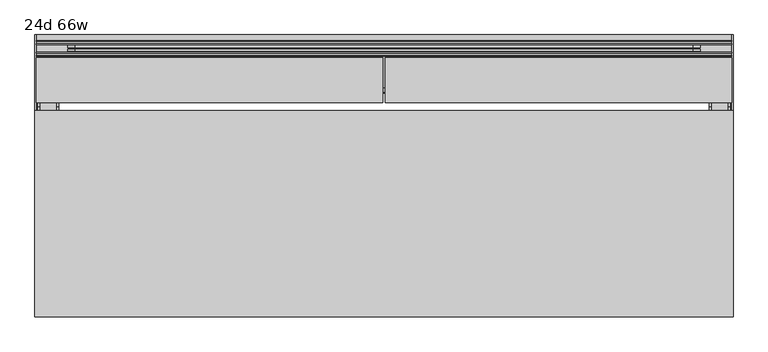
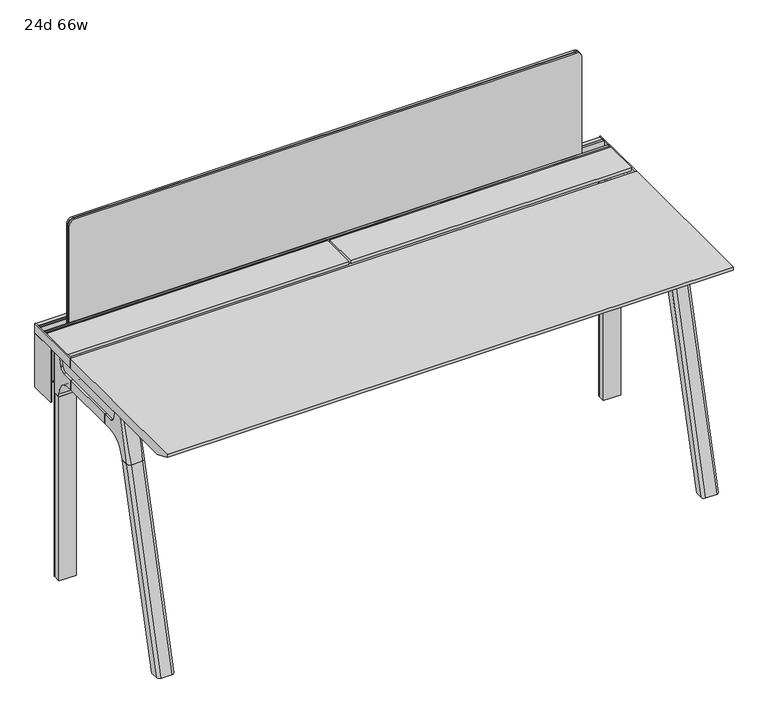
"""IFC4 building model written with IfcOpenShell, lengths in millimetres: furniture geometry, 24d 66w."""

import ifcopenshell
import ifcopenshell.guid

model = None  # the IFC model being written
_history = None  # IfcOwnerHistory: only IFC2X3 demands one
_inside = {}  # id of a spatial element -> (the spatial element, [elements in it])
_under = {}  # id of a project, library or spatial element -> (it, [spatial elements below it])
_declared = {}  # id of a project -> (the project, [libraries it declares])
_typed = {}  # id of a type object -> (the type object, [elements of that type])
_made_of = {}  # id of a material, layer set ... -> (it, [elements and type objects made of it])


def new_model(schema):
    """Start an empty IFC model of exactly this schema.

    Asked for "IFC4X3", IfcOpenShell would pick the latest addendum, in which some entities
    have other attributes; the version numbers below select the first issue.
    IFC2X3 requires an IfcOwnerHistory on every rooted entity: one is made here for all.
    """
    global model, _history
    if schema == "IFC4X3":
        model = ifcopenshell.file(schema_version=(4, 3, 0, 0))
    else:
        model = ifcopenshell.file(schema=schema)
    _inside.clear()
    _under.clear()
    _declared.clear()
    _typed.clear()
    _made_of.clear()
    _history = None
    if model.schema == "IFC2X3":
        org = make("IfcOrganization", Name="unknown")
        user = make(
            "IfcPersonAndOrganization",
            ThePerson=make("IfcPerson", FamilyName="unknown"),
            TheOrganization=org,
        )
        app = make(
            "IfcApplication",
            ApplicationDeveloper=org,
            Version="unknown",
            ApplicationFullName="unknown",
            ApplicationIdentifier="unknown",
        )
        _history = make(
            "IfcOwnerHistory",
            OwningUser=user,
            OwningApplication=app,
            ChangeAction="ADDED",
            CreationDate=0,
        )
    return model


def make(cls, **values):
    """One entity of the class cls with the attributes given. An attribute that is None is left unset."""
    return model.create_entity(
        cls, **{name: value for name, value in values.items() if value is not None}
    )


def rooted(cls, **values):
    """An entity with a GlobalId (a new one), such as an element, a storey or a relation."""
    return make(cls, GlobalId=ifcopenshell.guid.new(), OwnerHistory=_history, **values)


def si_unit(unit_type, name, prefix=None):
    """IfcSIUnit, for example si_unit("LENGTHUNIT", "METRE", prefix="MILLI")."""
    return make("IfcSIUnit", UnitType=unit_type, Prefix=prefix, Name=name)


def assignment(units):
    """IfcUnitAssignment: the units of a project."""
    return None if units is None else make("IfcUnitAssignment", Units=units)


def point(xyz):
    """IfcCartesianPoint."""
    return None if xyz is None else make("IfcCartesianPoint", Coordinates=xyz)


def direction(xyz):
    """IfcDirection."""
    return None if xyz is None else make("IfcDirection", DirectionRatios=xyz)


def frame(location, z_axis=None, x_axis=None):
    """IfcAxis2Placement3D, a coordinate frame: its origin and axes. An axis left out is left unset."""
    return make(
        "IfcAxis2Placement3D",
        Location=point(location),
        Axis=direction(z_axis),
        RefDirection=direction(x_axis),
    )


def frame_2d(location, x_axis=None):
    """IfcAxis2Placement2D, a coordinate frame in the plane: its origin and x axis."""
    return make(
        "IfcAxis2Placement2D", Location=point(location), RefDirection=direction(x_axis)
    )


def origin():
    """The frame at (0, 0, 0) with its axes left unset."""
    return frame((0.0, 0.0, 0.0))


def place(relative_to, where):
    """IfcLocalPlacement: puts the frame where relative to a parent placement (None: the world)."""
    return make(
        "IfcLocalPlacement", PlacementRelTo=relative_to, RelativePlacement=where
    )


def context(
    kind, dimensions, precision=None, world=None, true_north=None, identifier=None
):
    """IfcGeometricRepresentationContext, for example the 3D "Model" context."""
    return make(
        "IfcGeometricRepresentationContext",
        ContextIdentifier=identifier,
        ContextType=kind,
        CoordinateSpaceDimension=dimensions,
        Precision=precision,
        WorldCoordinateSystem=world,
        TrueNorth=true_north,
    )


def project(units=None, contexts=None):
    """IfcProject with its units and contexts."""
    return rooted(
        "IfcProject",
        Name="project",
        RepresentationContexts=contexts,
        UnitsInContext=assignment(units),
    )


def spatial(cls, under=None, at=None, **own):
    """A site, building, storey or space (cls), placed at a placement, below another one or the project."""
    s = rooted(cls, ObjectPlacement=at, **own)
    if under is not None:
        _under.setdefault(under.id(), (under, []))[1].append(s)
    return s


def polyline(points):
    """IfcPolyline through the points."""
    return make("IfcPolyline", Points=[point(p) for p in points])


def circle_curve(where, radius):
    """IfcCircle in the frame where."""
    return make("IfcCircle", Position=where, Radius=radius)


def ellipse_curve(where, semi_axis1, semi_axis2):
    """IfcEllipse in the frame where."""
    return make(
        "IfcEllipse", Position=where, SemiAxis1=semi_axis1, SemiAxis2=semi_axis2
    )


def trimmed(basis, trim1, trim2, sense, master):
    """IfcTrimmedCurve: the piece of a basis curve between two trims."""
    return make(
        "IfcTrimmedCurve",
        BasisCurve=basis,
        Trim1=trim1,
        Trim2=trim2,
        SenseAgreement=sense,
        MasterRepresentation=master,
    )


def segment(curve, same_sense, transition):
    """IfcCompositeCurveSegment."""
    return make(
        "IfcCompositeCurveSegment",
        Transition=transition,
        SameSense=same_sense,
        ParentCurve=curve,
    )


def composite_curve(segments, self_intersect=None):
    """IfcCompositeCurve: segments joined end to end."""
    return make("IfcCompositeCurve", Segments=segments, SelfIntersect=self_intersect)


def outline(outer, holes=None, kind="AREA"):
    """IfcArbitraryClosedProfileDef: a profile drawn as a closed curve; with holes, ...WithVoids."""
    if holes is None:
        return make("IfcArbitraryClosedProfileDef", ProfileType=kind, OuterCurve=outer)
    return make(
        "IfcArbitraryProfileDefWithVoids",
        ProfileType=kind,
        OuterCurve=outer,
        InnerCurves=holes,
    )


def extrude(swept, where, along, depth):
    """IfcExtrudedAreaSolid: the profile swept, set in the frame where, extruded along a direction by depth."""
    return make(
        "IfcExtrudedAreaSolid",
        SweptArea=swept,
        Position=where,
        ExtrudedDirection=direction(along),
        Depth=depth,
    )


def shape(context_of_items, identifier, shape_type, items):
    """IfcShapeRepresentation: the items that make up one representation, for example the "Body"."""
    return make(
        "IfcShapeRepresentation",
        ContextOfItems=context_of_items,
        RepresentationIdentifier=identifier,
        RepresentationType=shape_type,
        Items=items,
    )


def source(mapping_origin, context_of_items, identifier, shape_type, items):
    """IfcRepresentationMap: a shape defined once, which mapped items show again and again."""
    return make(
        "IfcRepresentationMap",
        MappingOrigin=mapping_origin,
        MappedRepresentation=shape(context_of_items, identifier, shape_type, items),
    )


def transform(
    local_origin,
    x_axis=None,
    y_axis=None,
    z_axis=None,
    scale=None,
    scale2=None,
    scale3=None,
    uniform=True,
):
    """IfcCartesianTransformationOperator3D, or its non-uniform kind. x_axis, y_axis, z_axis: its Axis1, 2, 3."""
    if uniform:
        return make(
            "IfcCartesianTransformationOperator3D",
            Axis1=direction(x_axis),
            Axis2=direction(y_axis),
            LocalOrigin=point(local_origin),
            Scale=scale,
            Axis3=direction(z_axis),
        )
    return make(
        "IfcCartesianTransformationOperator3DnonUniform",
        Axis1=direction(x_axis),
        Axis2=direction(y_axis),
        LocalOrigin=point(local_origin),
        Scale=scale,
        Axis3=direction(z_axis),
        Scale2=scale2,
        Scale3=scale3,
    )


def mapped(mapping_source, mapping_target):
    """IfcMappedItem: shows the shape of a source again, moved by a transform."""
    return make(
        "IfcMappedItem", MappingSource=mapping_source, MappingTarget=mapping_target
    )


def made_of(thing, what):
    """Note that an element or type object is made of a material, layer set ...; save() writes the relation."""
    if what is not None:
        _made_of.setdefault(what.id(), (what, []))[1].append(thing)
    return thing


def element(
    cls,
    number,
    at=None,
    inside=None,
    cuts=None,
    type_object=None,
    material=None,
    context=None,
    identifier="Body",
    shape_type=None,
    held_by="IfcProductDefinitionShape",
    body=None,
    shapes=None,
    **own,
):
    """One element of the class cls, such as IfcWall. Its Tag is "e" and its number.

    at: its placement. inside: the storey or other place that contains it. cuts: it is an
    opening in that element (IfcRelVoidsElement). A single representation is given by context,
    identifier, shape_type and body (its items); several are given by shapes. held_by: the class
    of the entity that holds the representations. save() writes the other relations.
    """
    e = rooted(cls, Tag="e%d" % number, ObjectPlacement=at, **own)
    if body is not None:
        shapes = [shape(context, identifier, shape_type, body)]
    if shapes is not None:
        e.Representation = make(held_by, Representations=shapes)
    if inside is not None:
        _inside.setdefault(inside.id(), (inside, []))[1].append(e)
    if cuts is not None:
        rooted(
            "IfcRelVoidsElement", RelatingBuildingElement=cuts, RelatedOpeningElement=e
        )
    if type_object is not None:
        _typed.setdefault(type_object.id(), (type_object, []))[1].append(e)
    return made_of(e, material)


def aggregate(whole, parts):
    """IfcRelAggregates: a whole, such as a stair, and the parts it consists of."""
    return rooted("IfcRelAggregates", RelatingObject=whole, RelatedObjects=parts)


def save(model, path):
    """Write the relations noted so far, then the file.

    IfcRelAggregates (storeys below a building ...), IfcRelContainedInSpatialStructure (elements
    in a storey), IfcRelDefinesByType, IfcRelAssociatesMaterial and IfcRelDeclares: one each for
    every whole, place, type object, material and project.
    """
    for whole, parts in _under.values():
        aggregate(whole, parts)
    for where, things in _inside.values():
        rooted(
            "IfcRelContainedInSpatialStructure",
            RelatedElements=things,
            RelatingStructure=where,
        )
    for kind, things in _typed.values():
        rooted("IfcRelDefinesByType", RelatedObjects=things, RelatingType=kind)
    for what, things in _made_of.values():
        rooted("IfcRelAssociatesMaterial", RelatedObjects=things, RelatingMaterial=what)
    for by, libraries in _declared.values():
        rooted("IfcRelDeclares", RelatingContext=by, RelatedDefinitions=libraries)
    model.write(path)


def plane_surface(at):
    """IfcPlane: the flat surface through the origin of the frame at, square to its z axis."""
    return make("IfcPlane", Position=at)


def cylinder_surface(at, radius):
    """IfcCylindricalSurface: all points at the distance radius from the z axis of the frame at."""
    return make("IfcCylindricalSurface", Position=at, Radius=radius)


def revolved_surface(curve, axis_point, axis_direction):
    """IfcSurfaceOfRevolution: the curve turned about the line through axis_point along axis_direction."""
    return make(
        "IfcSurfaceOfRevolution",
        SweptCurve=make("IfcArbitraryOpenProfileDef", ProfileType="CURVE", Curve=curve),
        AxisPosition=make("IfcAxis1Placement", Location=point(axis_point), Axis=direction(axis_direction)),
    )


def advanced_brep(points, edges, surfaces, faces):
    """IfcAdvancedBrep: a solid bounded by faces that lie on surfaces and meet in shared edges.

    An edge is (start, end): straight between two places in points (the first is 0);
    or (start, end, curve); or (start, end, curve, False) where it runs against its curve.
    A face is (place in surfaces, loops), or (place, loops, False) where it looks against
    its surface's normal. A loop lists edges by number (the first is 1), with a minus sign
    where the edge is run from its end to its start. The first loop is the outer one.
    """
    corners = [point(p) for p in points]
    vertices = [make("IfcVertexPoint", VertexGeometry=c) for c in corners]
    made = []
    for start, end, *more in edges:
        made.append(
            make(
                "IfcEdgeCurve",
                EdgeStart=vertices[start],
                EdgeEnd=vertices[end],
                EdgeGeometry=more[0] if more else make("IfcPolyline", Points=[corners[start], corners[end]]),
                SameSense=more[1] if len(more) > 1 else True,
            )
        )
    hull = []
    for where, loops, *sense in faces:
        bounds = []
        for j, loop in enumerate(loops):
            ring = [make("IfcOrientedEdge", EdgeElement=made[abs(k) - 1], Orientation=k > 0) for k in loop]
            bounds.append(
                make(
                    "IfcFaceOuterBound" if j == 0 else "IfcFaceBound",
                    Bound=make("IfcEdgeLoop", EdgeList=ring),
                    Orientation=True,
                )
            )
        hull.append(make("IfcAdvancedFace", Bounds=bounds, FaceSurface=surfaces[where], SameSense=sense[0] if sense else True))
    return make("IfcAdvancedBrep", Outer=make("IfcClosedShell", CfsFaces=hull))


def furniture_24d_66w_965e071f(model_context):
    return source(origin(), model_context, "Body", "SolidModel", [
        extrude(outline(composite_curve([segment(polyline([(-171.6458172, 542.478661), (-293.447806, 542.478661)]), True, "CONTINUOUS"), segment(trimmed(circle_curve(frame_2d((-293.447806, 555.972411)), 13.49375), [point((-293.447806, 542.478661))], [point((-306.941556, 555.972411))], False, "CARTESIAN"), True, "CONTINUOUS"), segment(polyline([(-306.941556, 555.972411), (-306.941556, 579.126206), (-306.147806, 579.126206), (-306.147806, 555.972411)]), True, "CONTINUOUS"), segment(trimmed(circle_curve(frame_2d((-293.447806, 555.972411)), 12.7), [point((-306.147806, 555.972411))], [point((-293.447806, 543.272411))], True, "CARTESIAN"), True, "CONTINUOUS"), segment(polyline([(-293.447806, 543.272411), (-171.6458172, 543.272411), (-171.6458172, 542.478661)]), True, "CONTINUOUS")], self_intersect=False)), frame((-466.725, 0.0, 0.0), z_axis=(1.0, 0.0, 0.0), x_axis=(0.0, 1.0, 0.0)), (0.0, 0.0, 1.0), 1365.25),
        extrude(outline(polyline([(-167.2415802, 542.478661), (-171.6458172, 542.478661), (-171.6458172, 543.272411), (-168.0353302, 543.272411), (-168.0353302, 738.7080593), (-179.9097266, 738.7080593), (-179.9097266, 729.9768093), (-180.7034766, 729.9768093), (-180.7034766, 739.5018093), (-167.2415802, 739.5018093), (-167.2415802, 542.478661)])), frame((-619.125, 0.0, 0.0), z_axis=(1.0, 0.0, 0.0), x_axis=(0.0, 1.0, 0.0)), (0.0, 0.0, 1.0), 1670.05),
        extrude(outline(composite_curve([segment(polyline([(1054.89375, 955.675), (1054.89375, -523.875)]), True, "CONTINUOUS"), segment(trimmed(circle_curve(frame_2d((1039.01875, -523.875)), 15.875), [point((1054.89375, -523.875))], [point((1039.01875, -539.75))], False, "CARTESIAN"), True, "CONTINUOUS"), segment(polyline([(1039.01875, -539.75), (720.725, -539.75), (720.725, 971.55), (1039.01875, 971.55)]), True, "CONTINUOUS"), segment(trimmed(circle_curve(frame_2d((1039.01875, 955.675)), 15.875), [point((1039.01875, 971.55))], [point((1054.89375, 955.675))], False, "CARTESIAN"), True, "CONTINUOUS")], self_intersect=False)), frame((0.0, -201.3409766, 0.0), z_axis=(0.0, 1.0, 0.0), x_axis=(0.0, 0.0, 1.0)), (0.0, 0.0, 1.0), 3.175),
        extrude(outline(composite_curve([segment(polyline([(1058.06875, 958.85), (1058.06875, -527.05)]), True, "CONTINUOUS"), segment(trimmed(circle_curve(frame_2d((1042.19375, -527.05)), 15.875), [point((1058.06875, -527.05))], [point((1042.19375, -542.925))], False, "CARTESIAN"), True, "CONTINUOUS"), segment(polyline([(1042.19375, -542.925), (717.55, -542.925), (717.55, 974.725), (1042.19375, 974.725)]), True, "CONTINUOUS"), segment(trimmed(circle_curve(frame_2d((1042.19375, 958.85)), 15.875), [point((1042.19375, 974.725))], [point((1058.06875, 958.85))], False, "CARTESIAN"), True, "CONTINUOUS")], self_intersect=False)), frame((0.0, -198.1659766, 0.0), z_axis=(0.0, 1.0, 0.0), x_axis=(0.0, 0.0, 1.0)), (0.0, 0.0, 1.0), 5.55625),
        extrude(outline(composite_curve([segment(polyline([(1058.06875, 958.85), (1058.06875, -527.05)]), True, "CONTINUOUS"), segment(trimmed(circle_curve(frame_2d((1042.19375, -527.05)), 15.875), [point((1058.06875, -527.05))], [point((1042.19375, -542.925))], False, "CARTESIAN"), True, "CONTINUOUS"), segment(polyline([(1042.19375, -542.925), (717.55, -542.925), (717.55, 974.725), (1042.19375, 974.725)]), True, "CONTINUOUS"), segment(trimmed(circle_curve(frame_2d((1042.19375, 958.85)), 15.875), [point((1042.19375, 974.725))], [point((1058.06875, 958.85))], False, "CARTESIAN"), True, "CONTINUOUS")], self_intersect=False)), frame((0.0, -206.8972266, 0.0), z_axis=(0.0, 1.0, 0.0), x_axis=(0.0, 0.0, 1.0)), (0.0, 0.0, 1.0), 5.55625),
        extrude(outline(polyline([(-218.8034766, 715.9625), (-218.8034766, 741.3625), (-217.2159766, 741.3625), (-217.2159766, 720.725), (-210.8659766, 720.725), (-210.8659766, 741.3625), (-209.2784766, 741.3625), (-209.2784766, 717.55), (-190.2284766, 717.55), (-190.2284766, 741.3625), (-188.6409766, 741.3625), (-188.6409766, 720.725), (-182.2909766, 720.725), (-182.2909766, 741.3625), (-180.7034766, 741.3625), (-180.7034766, 715.9625), (-218.8034766, 715.9625)])), frame((-619.125, 0.0, 0.0), z_axis=(1.0, 0.0, 0.0), x_axis=(0.0, 1.0, 0.0)), (0.0, 0.0, 1.0), 1670.05),
        extrude(outline(composite_curve([segment(polyline([(-280.7159766, 711.2), (-289.7740774, 677.3947076)]), True, "CONTINUOUS"), segment(trimmed(circle_curve(frame_2d((-305.1081499, 681.5034599)), 15.875), [point((-289.7740774, 677.3947076))], [point((-305.1081499, 665.6284599))], False, "CARTESIAN"), True, "CONTINUOUS"), segment(polyline([(-305.1081499, 665.6284599), (-550.8050533, 665.6284599)]), True, "CONTINUOUS"), segment(trimmed(circle_curve(frame_2d((-550.8050533, 681.5034599)), 15.875), [point((-550.8050533, 665.6284599))], [point((-566.1391258, 677.3947076))], False, "CARTESIAN"), True, "CONTINUOUS"), segment(polyline([(-566.1391258, 677.3947076), (-575.1972266, 711.2), (-280.7159766, 711.2)]), True, "CONTINUOUS")], self_intersect=False)), frame((1003.3, 0.0, 0.0), z_axis=(1.0, 0.0, 0.0), x_axis=(0.0, 1.0, 0.0)), (0.0, 0.0, 1.0), 38.1),
        extrude(outline(polyline([(1047.75, -341.0409766), (1047.75, -514.8722266), (996.95, -514.8722266), (996.95, -341.0409766), (1047.75, -341.0409766)])), frame((0.0, 0.0, 635.6476591), z_axis=(0.0, 0.0, 1.0), x_axis=(1.0, 0.0, 0.0)), (0.0, 0.0, 1.0), 29.9808008),
        extrude(outline(composite_curve([segment(polyline([(-280.7159766, 711.2), (-289.7740774, 677.3947076)]), True, "CONTINUOUS"), segment(trimmed(circle_curve(frame_2d((-305.1081499, 681.5034599)), 15.875), [point((-289.7740774, 677.3947076))], [point((-305.1081499, 665.6284599))], False, "CARTESIAN"), True, "CONTINUOUS"), segment(polyline([(-305.1081499, 665.6284599), (-550.8050533, 665.6284599)]), True, "CONTINUOUS"), segment(trimmed(circle_curve(frame_2d((-550.8050533, 681.5034599)), 15.875), [point((-550.8050533, 665.6284599))], [point((-566.1391258, 677.3947076))], False, "CARTESIAN"), True, "CONTINUOUS"), segment(polyline([(-566.1391258, 677.3947076), (-575.1972266, 711.2), (-280.7159766, 711.2)]), True, "CONTINUOUS")], self_intersect=False)), frame((-609.6, 0.0, 0.0), z_axis=(1.0, 0.0, 0.0), x_axis=(0.0, 1.0, 0.0)), (0.0, 0.0, 1.0), 38.1),
        extrude(outline(polyline([(-565.15, -341.0409766), (-565.15, -514.8722266), (-615.95, -514.8722266), (-615.95, -341.0409766), (-565.15, -341.0409766)])), frame((0.0, 0.0, 635.6476591), z_axis=(0.0, 0.0, 1.0), x_axis=(1.0, 0.0, 0.0)), (0.0, 0.0, 1.0), 29.9808008),
        advanced_brep(
        [(1047.75, -280.6696478, 711.2), (1047.75, -289.7277486, 677.3947076), (1047.75, -305.0618211, 665.6284599), (1047.75, -341.0409766, 665.6284599), (1047.75, -341.0409766, 635.6476591), (1047.75, -329.9284766, 635.6476591), (1047.75, -279.1284766, 584.8476591), (1047.75, -279.1284766, 576.659375), (1047.75, -256.9034766, 576.659375), (1047.75, -256.9034766, 711.2), (996.95, -279.1284766, 576.659375), (996.95, -279.1284766, 584.8476591), (996.95, -329.9284766, 635.6476591), (996.95, -341.0409766, 635.6476591), (996.95, -341.0409766, 665.6284599), (996.95, -305.0618211, 665.6284599), (996.95, -289.7277486, 677.3947076), (996.95, -280.6696478, 711.2), (996.95, -256.9034766, 711.2), (996.95, -256.9034766, 576.659375), (1038.225, -247.3784766, 711.2), (1006.475, -247.3784766, 711.2), (1006.475, -247.3784766, 576.659375), (1038.225, -247.3784766, 576.659375)],
        [
            (0, 1),
            (1, 2, circle_curve(frame((1047.75, -305.0618211, 681.5034599), z_axis=(-1.0, 0.0, 0.0), x_axis=(0.0, 1.0, 0.0)), 15.875)),
            (2, 3),
            (3, 4),
            (4, 5),
            (5, 6, circle_curve(frame((1047.75, -329.9284766, 584.8476591), z_axis=(-1.0, 0.0, 0.0), x_axis=(0.0, 1.0, 0.0)), 50.8)),
            (6, 7),
            (7, 8),
            (8, 9),
            (9, 0),
            (10, 11),
            (11, 12, circle_curve(frame((996.95, -329.9284766, 584.8476591), z_axis=(1.0, 0.0, 0.0), x_axis=(0.0, 1.0, 0.0)), 50.8)),
            (12, 13),
            (13, 14),
            (14, 15),
            (15, 16, circle_curve(frame((996.95, -305.0618211, 681.5034599), z_axis=(1.0, 0.0, 0.0), x_axis=(0.0, 1.0, 0.0)), 15.875)),
            (16, 17),
            (17, 18),
            (18, 19),
            (19, 10),
            (17, 0),
            (9, 20, circle_curve(frame((1038.225, -256.9034766, 711.2), z_axis=(0.0, 0.0, 1.0), x_axis=(-1.0, 0.0, 0.0)), 9.525)),
            (20, 21),
            (21, 18, circle_curve(frame((1006.475, -256.9034766, 711.2), z_axis=(0.0, 0.0, 1.0), x_axis=(-1.0, 0.0, 0.0)), 9.525)),
            (16, 1),
            (15, 2),
            (14, 3),
            (13, 4),
            (12, 5),
            (7, 10),
            (19, 22, circle_curve(frame((1006.475, -256.9034766, 576.659375), z_axis=(0.0, 0.0, -1.0), x_axis=(-1.0, 0.0, 0.0)), 9.525)),
            (22, 23),
            (23, 8, circle_curve(frame((1038.225, -256.9034766, 576.659375), z_axis=(0.0, 0.0, -1.0), x_axis=(-1.0, 0.0, 0.0)), 9.525)),
            (11, 6),
            (23, 20),
            (21, 22),
        ],
        [
            plane_surface(frame((1047.75, -240.451947, 711.2), z_axis=(1.0, 0.0, 0.0), x_axis=(0.0, -1.0, 0.0))),
            plane_surface(frame((996.95, -240.451947, 711.2), z_axis=(-1.0, 0.0, 0.0), x_axis=(0.0, 1.0, 0.0))),
            plane_surface(frame((1047.75, -240.451947, 711.2), z_axis=(0.0, 0.0, 1.0), x_axis=(-1.0, 0.0, 0.0))),
            plane_surface(frame((1047.75, -280.6696478, 711.2), z_axis=(0.0, -0.9659258262890683, 0.2588190451025207), x_axis=(-1.0, 0.0, 0.0))),
            revolved_surface(polyline([(996.95, -289.1868211, 681.5034599), (1047.75, -289.1868211, 681.5034599)]), (996.95, -305.0618211, 681.5034599), (-1.0, 0.0, 0.0)),
            plane_surface(frame((1047.75, -305.0618211, 665.6284599), z_axis=(0.0, 0.0, 1.0), x_axis=(-1.0, 0.0, 0.0))),
            plane_surface(frame((1047.75, -341.0409766, 665.6284599), z_axis=(0.0, -1.0, 0.0), x_axis=(-1.0, 0.0, 0.0))),
            plane_surface(frame((1047.75, -341.0409766, 635.6476591), z_axis=(0.0, 0.0, -1.0), x_axis=(-1.0, 0.0, 0.0))),
            plane_surface(frame((1047.75, -279.1284766, 576.659375), z_axis=(0.0, 0.0, -1.0), x_axis=(-1.0, 0.0, 0.0))),
            revolved_surface(polyline([(996.95, -279.1284766, 584.8476591), (1047.75, -279.1284766, 584.8476591)]), (996.95, -329.9284766, 584.8476591), (-1.0, 0.0, 0.0)),
            plane_surface(frame((1047.75, -279.1284766, 584.8476591), z_axis=(0.0, -1.0, 0.0), x_axis=(-1.0, 0.0, 0.0))),
            cylinder_surface(frame((1038.225, -256.9034766, 524.9807374), z_axis=(0.0, 0.0, -1.0), x_axis=(-1.0, 0.0, 0.0)), 9.525),
            cylinder_surface(frame((1006.475, -256.9034766, 524.9807374), z_axis=(0.0, 0.0, -1.0), x_axis=(-1.0, 0.0, 0.0)), 9.525),
            plane_surface(frame((1006.475, -247.3784766, 711.2), z_axis=(0.0, 1.0, 0.0), x_axis=(0.0, 0.0, -1.0))),
        ],
        [
            (0, [[1, 2, 3, 4, 5, 6, 7, 8, 9, 10]]),
            (1, [[11, 12, 13, 14, 15, 16, 17, 18, 19, 20]]),
            (2, [[21, -10, 22, 23, 24, -18]]),
            (3, [[-1, -21, -17, 25]]),
            (4, [[-2, -25, -16, 26]]),
            (5, [[-3, -26, -15, 27]]),
            (6, [[-4, -27, -14, 28]]),
            (7, [[-5, -28, -13, 29]]),
            (8, [[30, -20, 31, 32, 33, -8]]),
            (9, [[-6, -29, -12, 34]]),
            (10, [[-7, -34, -11, -30]]),
            (11, [[35, -22, -9, -33]]),
            (12, [[36, -31, -19, -24]]),
            (13, [[-35, -32, -36, -23]]),
        ],
    ),
        advanced_brep(
        [(996.95, -279.1284766, 576.659375), (1047.75, -279.1284766, 576.659375), (1047.75, -256.9034766, 576.659375), (1038.225, -247.3784766, 576.659375), (1006.475, -247.3784766, 576.659375), (996.95, -256.9034766, 576.659375), (996.95, -279.1284766, 0.0), (996.95, -256.9034766, 0.0), (1006.475, -247.3784766, 0.0), (1038.225, -247.3784766, 0.0), (1047.75, -256.9034766, 0.0), (1047.75, -279.1284766, 0.0), (1047.75, -256.9034766, 524.9807374), (1038.225, -247.3784766, 524.9807374), (1006.475, -247.3784766, 524.9807374), (996.95, -256.9034766, 524.9807374)],
        [
            (0, 1),
            (1, 2),
            (2, 3, circle_curve(frame((1038.225, -256.9034766, 576.659375), z_axis=(0.0, 0.0, 1.0), x_axis=(-1.0, 0.0, 0.0)), 9.525)),
            (3, 4),
            (4, 5, circle_curve(frame((1006.475, -256.9034766, 576.659375), z_axis=(0.0, 0.0, 1.0), x_axis=(-1.0, 0.0, 0.0)), 9.525)),
            (5, 0),
            (6, 7),
            (7, 8, circle_curve(frame((1006.475, -256.9034766, 0.0), z_axis=(0.0, 0.0, -1.0), x_axis=(-1.0, 0.0, 0.0)), 9.525)),
            (8, 9),
            (9, 10, circle_curve(frame((1038.225, -256.9034766, 0.0), z_axis=(0.0, 0.0, -1.0), x_axis=(-1.0, 0.0, 0.0)), 9.525)),
            (10, 11),
            (11, 6),
            (0, 6),
            (11, 1),
            (10, 12),
            (12, 2),
            (9, 13),
            (13, 3),
            (8, 14),
            (14, 4),
            (7, 15),
            (15, 5),
        ],
        [
            plane_surface(frame((1054.9462903, -279.1284766, 576.659375), z_axis=(0.0, 0.0, 1.0), x_axis=(1.0, 0.0, 0.0))),
            plane_surface(frame((1054.9462903, -279.1284766, 0.0), z_axis=(0.0, 0.0, -1.0), x_axis=(-1.0, 0.0, 0.0))),
            plane_surface(frame((996.95, -279.1284766, 576.659375), z_axis=(0.0, -1.0, 0.0), x_axis=(0.0, 0.0, -1.0))),
            plane_surface(frame((1047.75, -279.1284766, 576.659375), z_axis=(1.0, 0.0, 0.0), x_axis=(0.0, 0.0, -1.0))),
            cylinder_surface(frame((1038.225, -256.9034766, 0.0), z_axis=(0.0, 0.0, 1.0), x_axis=(-1.0, 0.0, 0.0)), 9.525),
            plane_surface(frame((1038.225, -247.3784766, 576.659375), z_axis=(0.0, 1.0, 0.0), x_axis=(0.0, 0.0, -1.0))),
            cylinder_surface(frame((1006.475, -256.9034766, 0.0), z_axis=(0.0, 0.0, 1.0), x_axis=(-1.0, 0.0, 0.0)), 9.525),
            plane_surface(frame((996.95, -256.9034766, 576.659375), z_axis=(-1.0, 0.0, 0.0), x_axis=(0.0, 0.0, -1.0))),
        ],
        [
            (0, [[1, 2, 3, 4, 5, 6]]),
            (1, [[7, 8, 9, 10, 11, 12]]),
            (2, [[-1, 13, -12, 14]]),
            (3, [[-2, -14, -11, 15, 16]]),
            (4, [[-3, -16, -15, -10, 17, 18]]),
            (5, [[-4, -18, -17, -9, 19, 20]]),
            (6, [[-5, -20, -19, -8, 21, 22]]),
            (7, [[-6, -22, -21, -7, -13]]),
        ],
    ),
        advanced_brep(
        [(-565.15, -280.6696478, 711.2), (-565.15, -289.7277486, 677.3947076), (-565.15, -305.0618211, 665.6284599), (-565.15, -341.0409766, 665.6284599), (-565.15, -341.0409766, 635.6476591), (-565.15, -329.9284766, 635.6476591), (-565.15, -279.1284766, 584.8476591), (-565.15, -279.1284766, 576.659375), (-565.15, -256.9034766, 576.659375), (-565.15, -256.9034766, 711.2), (-615.95, -279.1284766, 576.659375), (-615.95, -279.1284766, 584.8476591), (-615.95, -329.9284766, 635.6476591), (-615.95, -341.0409766, 635.6476591), (-615.95, -341.0409766, 665.6284599), (-615.95, -305.0618211, 665.6284599), (-615.95, -289.7277486, 677.3947076), (-615.95, -280.6696478, 711.2), (-615.95, -256.9034766, 711.2), (-615.95, -256.9034766, 576.659375), (-574.675, -247.3784766, 711.2), (-606.425, -247.3784766, 711.2), (-606.425, -247.3784766, 576.659375), (-574.675, -247.3784766, 576.659375)],
        [
            (0, 1),
            (1, 2, circle_curve(frame((-565.15, -305.0618211, 681.5034599), z_axis=(-1.0, 0.0, 0.0), x_axis=(0.0, 1.0, 0.0)), 15.875)),
            (2, 3),
            (3, 4),
            (4, 5),
            (5, 6, circle_curve(frame((-565.15, -329.9284766, 584.8476591), z_axis=(-1.0, 0.0, 0.0), x_axis=(0.0, 1.0, 0.0)), 50.8)),
            (6, 7),
            (7, 8),
            (8, 9),
            (9, 0),
            (10, 11),
            (11, 12, circle_curve(frame((-615.95, -329.9284766, 584.8476591), z_axis=(1.0, 0.0, 0.0), x_axis=(0.0, 1.0, 0.0)), 50.8)),
            (12, 13),
            (13, 14),
            (14, 15),
            (15, 16, circle_curve(frame((-615.95, -305.0618211, 681.5034599), z_axis=(1.0, 0.0, 0.0), x_axis=(0.0, 1.0, 0.0)), 15.875)),
            (16, 17),
            (17, 18),
            (18, 19),
            (19, 10),
            (17, 0),
            (9, 20, circle_curve(frame((-574.675, -256.9034766, 711.2), z_axis=(0.0, 0.0, 1.0), x_axis=(-1.0, 0.0, 0.0)), 9.525)),
            (20, 21),
            (21, 18, circle_curve(frame((-606.425, -256.9034766, 711.2), z_axis=(0.0, 0.0, 1.0), x_axis=(-1.0, 0.0, 0.0)), 9.525)),
            (16, 1),
            (15, 2),
            (14, 3),
            (13, 4),
            (12, 5),
            (7, 10),
            (19, 22, circle_curve(frame((-606.425, -256.9034766, 576.659375), z_axis=(0.0, 0.0, -1.0), x_axis=(-1.0, 0.0, 0.0)), 9.525)),
            (22, 23),
            (23, 8, circle_curve(frame((-574.675, -256.9034766, 576.659375), z_axis=(0.0, 0.0, -1.0), x_axis=(-1.0, 0.0, 0.0)), 9.525)),
            (11, 6),
            (23, 20),
            (21, 22),
        ],
        [
            plane_surface(frame((-565.15, -240.451947, 711.2), z_axis=(1.0, 0.0, 0.0), x_axis=(0.0, -1.0, 0.0))),
            plane_surface(frame((-615.95, -240.451947, 711.2), z_axis=(-1.0, 0.0, 0.0), x_axis=(0.0, 1.0, 0.0))),
            plane_surface(frame((-565.15, -240.451947, 711.2), z_axis=(0.0, 0.0, 1.0), x_axis=(-1.0, 0.0, 0.0))),
            plane_surface(frame((-565.15, -280.6696478, 711.2), z_axis=(0.0, -0.9659258262890683, 0.2588190451025207), x_axis=(-1.0, 0.0, 0.0))),
            revolved_surface(polyline([(-615.95, -289.1868211, 681.5034599), (-565.15, -289.1868211, 681.5034599)]), (-615.95, -305.0618211, 681.5034599), (-1.0, 0.0, 0.0)),
            plane_surface(frame((-565.15, -305.0618211, 665.6284599), z_axis=(0.0, 0.0, 1.0), x_axis=(-1.0, 0.0, 0.0))),
            plane_surface(frame((-565.15, -341.0409766, 665.6284599), z_axis=(0.0, -1.0, 0.0), x_axis=(-1.0, 0.0, 0.0))),
            plane_surface(frame((-565.15, -341.0409766, 635.6476591), z_axis=(0.0, 0.0, -1.0), x_axis=(-1.0, 0.0, 0.0))),
            plane_surface(frame((-565.15, -279.1284766, 576.659375), z_axis=(0.0, 0.0, -1.0), x_axis=(-1.0, 0.0, 0.0))),
            revolved_surface(polyline([(-615.95, -279.1284766, 584.8476591), (-565.15, -279.1284766, 584.8476591)]), (-615.95, -329.9284766, 584.8476591), (-1.0, 0.0, 0.0)),
            plane_surface(frame((-565.15, -279.1284766, 584.8476591), z_axis=(0.0, -1.0, 0.0), x_axis=(-1.0, 0.0, 0.0))),
            cylinder_surface(frame((-574.675, -256.9034766, 524.9807374), z_axis=(0.0, 0.0, -1.0), x_axis=(-1.0, 0.0, 0.0)), 9.525),
            cylinder_surface(frame((-606.425, -256.9034766, 524.9807374), z_axis=(0.0, 0.0, -1.0), x_axis=(-1.0, 0.0, 0.0)), 9.525),
            plane_surface(frame((-606.425, -247.3784766, 711.2), z_axis=(0.0, 1.0, 0.0), x_axis=(0.0, 0.0, -1.0))),
        ],
        [
            (0, [[1, 2, 3, 4, 5, 6, 7, 8, 9, 10]]),
            (1, [[11, 12, 13, 14, 15, 16, 17, 18, 19, 20]]),
            (2, [[21, -10, 22, 23, 24, -18]]),
            (3, [[-1, -21, -17, 25]]),
            (4, [[-2, -25, -16, 26]]),
            (5, [[-3, -26, -15, 27]]),
            (6, [[-4, -27, -14, 28]]),
            (7, [[-5, -28, -13, 29]]),
            (8, [[30, -20, 31, 32, 33, -8]]),
            (9, [[-6, -29, -12, 34]]),
            (10, [[-7, -34, -11, -30]]),
            (11, [[35, -22, -9, -33]]),
            (12, [[36, -31, -19, -24]]),
            (13, [[-35, -32, -36, -23]]),
        ],
    ),
        advanced_brep(
        [(-615.95, -279.1284766, 576.659375), (-565.15, -279.1284766, 576.659375), (-565.15, -256.9034766, 576.659375), (-574.675, -247.3784766, 576.659375), (-606.425, -247.3784766, 576.659375), (-615.95, -256.9034766, 576.659375), (-615.95, -279.1284766, 0.0), (-615.95, -256.9034766, 0.0), (-606.425, -247.3784766, 0.0), (-574.675, -247.3784766, 0.0), (-565.15, -256.9034766, 0.0), (-565.15, -279.1284766, 0.0), (-565.15, -256.9034766, 524.9807374), (-574.675, -247.3784766, 524.9807374), (-606.425, -247.3784766, 524.9807374), (-615.95, -256.9034766, 524.9807374)],
        [
            (0, 1),
            (1, 2),
            (2, 3, circle_curve(frame((-574.675, -256.9034766, 576.659375), z_axis=(0.0, 0.0, 1.0), x_axis=(-1.0, 0.0, 0.0)), 9.525)),
            (3, 4),
            (4, 5, circle_curve(frame((-606.425, -256.9034766, 576.659375), z_axis=(0.0, 0.0, 1.0), x_axis=(-1.0, 0.0, 0.0)), 9.525)),
            (5, 0),
            (6, 7),
            (7, 8, circle_curve(frame((-606.425, -256.9034766, 0.0), z_axis=(0.0, 0.0, -1.0), x_axis=(-1.0, 0.0, 0.0)), 9.525)),
            (8, 9),
            (9, 10, circle_curve(frame((-574.675, -256.9034766, 0.0), z_axis=(0.0, 0.0, -1.0), x_axis=(-1.0, 0.0, 0.0)), 9.525)),
            (10, 11),
            (11, 6),
            (0, 6),
            (11, 1),
            (10, 12),
            (12, 2),
            (9, 13),
            (13, 3),
            (8, 14),
            (14, 4),
            (7, 15),
            (15, 5),
        ],
        [
            plane_surface(frame((-557.9537097, -279.1284766, 576.659375), z_axis=(0.0, 0.0, 1.0), x_axis=(1.0, 0.0, 0.0))),
            plane_surface(frame((-557.9537097, -279.1284766, 0.0), z_axis=(0.0, 0.0, -1.0), x_axis=(-1.0, 0.0, 0.0))),
            plane_surface(frame((-615.95, -279.1284766, 576.659375), z_axis=(0.0, -1.0, 0.0), x_axis=(0.0, 0.0, -1.0))),
            plane_surface(frame((-565.15, -279.1284766, 576.659375), z_axis=(1.0, 0.0, 0.0), x_axis=(0.0, 0.0, -1.0))),
            cylinder_surface(frame((-574.675, -256.9034766, 0.0), z_axis=(0.0, 0.0, 1.0), x_axis=(-1.0, 0.0, 0.0)), 9.525),
            plane_surface(frame((-574.675, -247.3784766, 576.659375), z_axis=(0.0, 1.0, 0.0), x_axis=(0.0, 0.0, -1.0))),
            cylinder_surface(frame((-606.425, -256.9034766, 0.0), z_axis=(0.0, 0.0, 1.0), x_axis=(-1.0, 0.0, 0.0)), 9.525),
            plane_surface(frame((-615.95, -256.9034766, 576.659375), z_axis=(-1.0, 0.0, 0.0), x_axis=(0.0, 0.0, -1.0))),
        ],
        [
            (0, [[1, 2, 3, 4, 5, 6]]),
            (1, [[7, 8, 9, 10, 11, 12]]),
            (2, [[-1, 13, -12, 14]]),
            (3, [[-2, -14, -11, 15, 16]]),
            (4, [[-3, -16, -15, -10, 17, 18]]),
            (5, [[-4, -18, -17, -9, 19, 20]]),
            (6, [[-5, -20, -19, -8, 21, 22]]),
            (7, [[-6, -22, -21, -7, -13]]),
        ],
    ),
        advanced_brep(
        [(996.95, -568.8935553, 711.2), (996.95, -559.8354545, 677.3947076), (996.95, -544.501382, 665.6284599), (996.95, -514.8722266, 665.6284599), (996.95, -514.8722266, 635.6476591), (996.95, -537.7434588, 635.6476591), (996.95, -602.1465633, 586.2294189), (996.95, -604.7047754, 576.6820411), (996.95, -625.8087453, 576.6820411), (996.95, -590.3601017, 711.2), (1047.75, -604.7047754, 576.6820411), (1047.75, -602.1465633, 586.2294189), (1047.75, -537.7434588, 635.6476591), (1047.75, -514.8722266, 635.6476591), (1047.75, -514.8722266, 665.6284599), (1047.75, -544.501382, 665.6284599), (1047.75, -559.8354545, 677.3947076), (1047.75, -568.8935553, 711.2), (1047.75, -590.3601017, 711.2), (1047.75, -625.8087453, 576.6820411), (1003.2138162, -599.6149462, 711.2), (1041.4861838, -599.6149462, 711.2), (1038.225, -635.6589247, 576.6820411), (1006.475, -635.6589247, 576.6820411)],
        [
            (0, 1),
            (1, 2, circle_curve(frame((996.95, -544.501382, 681.5034599), z_axis=(1.0, 0.0, 0.0), x_axis=(0.0, -1.0, 0.0)), 15.875)),
            (2, 3),
            (3, 4),
            (4, 5),
            (5, 6, circle_curve(frame((996.95, -537.7434588, 568.9726591), z_axis=(1.0, 0.0, 0.0), x_axis=(0.0, -1.0, 0.0)), 66.675)),
            (6, 7),
            (7, 8),
            (8, 9),
            (9, 0),
            (10, 11),
            (11, 12, circle_curve(frame((1047.75, -537.7434588, 568.9726591), z_axis=(-1.0, 0.0, 0.0), x_axis=(0.0, -1.0, 0.0)), 66.675)),
            (12, 13),
            (13, 14),
            (14, 15),
            (15, 16, circle_curve(frame((1047.75, -544.501382, 681.5034599), z_axis=(-1.0, 0.0, 0.0), x_axis=(0.0, -1.0, 0.0)), 15.875)),
            (16, 17),
            (17, 18),
            (18, 19),
            (19, 10),
            (17, 0),
            (9, 20, ellipse_curve(frame((1006.475, -590.3601017, 711.2), z_axis=(0.0, 0.0, 1.0), x_axis=(0.0, -1.0, 0.0)), 9.8501793, 9.525)),
            (20, 21),
            (21, 18, ellipse_curve(frame((1038.225, -590.3601017, 711.2), z_axis=(0.0, 0.0, 1.0), x_axis=(0.0, -1.0, 0.0)), 9.8501793, 9.525)),
            (16, 1),
            (15, 2),
            (14, 3),
            (13, 4),
            (12, 5),
            (11, 6),
            (10, 7),
            (19, 22, ellipse_curve(frame((1038.225, -625.8087453, 576.6820411), z_axis=(0.0, 0.0, -1.0), x_axis=(0.0, -1.0, 0.0)), 9.8501793, 9.525)),
            (22, 23),
            (23, 8, ellipse_curve(frame((1006.475, -625.8087453, 576.6820411), z_axis=(0.0, 0.0, -1.0), x_axis=(0.0, -1.0, 0.0)), 9.8501793, 9.525)),
            (20, 23, ellipse_curve(frame((1006.475, -39.2892106, 2802.3641142), z_axis=(0.0, -0.9659258262890684, 0.2588190451025206), x_axis=(0.0, -0.2588190451025206, -0.9659258262890684)), 2304.1956354, 9.525)),
            (22, 21, ellipse_curve(frame((1038.225, -39.2892106, 2802.3641142), z_axis=(0.0, -0.9659258262890684, 0.2588190451025206), x_axis=(0.0, -0.2588190451025206, -0.9659258262890684)), 2304.1956354, 9.525)),
        ],
        [
            plane_surface(frame((996.95, -599.6149462, 711.2), z_axis=(-1.0, 0.0, 0.0), x_axis=(0.0, 1.0, 0.0))),
            plane_surface(frame((1047.75, -599.6149462, 711.2), z_axis=(1.0, 0.0, 0.0), x_axis=(0.0, -1.0, 0.0))),
            plane_surface(frame((996.95, -599.6149462, 711.2), z_axis=(0.0, 0.0, 1.0), x_axis=(1.0, 0.0, 0.0))),
            plane_surface(frame((996.95, -568.8935553, 711.2), z_axis=(0.0, 0.9659258262890683, 0.2588190451025207), x_axis=(1.0, 0.0, 0.0))),
            revolved_surface(polyline([(1047.75, -560.376382, 681.5034599), (996.95, -560.376382, 681.5034599)]), (1047.75, -544.501382, 681.5034599), (1.0, 0.0, 0.0)),
            plane_surface(frame((996.95, -544.501382, 665.6284599), z_axis=(0.0, 0.0, 1.0), x_axis=(1.0, 0.0, 0.0))),
            plane_surface(frame((996.95, -514.8722266, 665.6284599), z_axis=(0.0, 1.0, 0.0), x_axis=(1.0, 0.0, 0.0))),
            plane_surface(frame((996.95, -514.8722266, 635.6476591), z_axis=(0.0, 0.0, -1.0), x_axis=(1.0, 0.0, 0.0))),
            revolved_surface(polyline([(1047.75, -604.4184587999999, 568.9726591), (996.95, -604.4184587999999, 568.9726591)]), (1047.75, -537.7434588, 568.9726591), (1.0, 0.0, 0.0)),
            plane_surface(frame((996.95, -602.1465633, 586.2294189), z_axis=(0.0, 0.9659258262890693, -0.25881904510251696), x_axis=(1.0, 0.0, 0.0))),
            plane_surface(frame((996.95, -604.7047754, 576.6820411), z_axis=(0.0, 0.0, -1.0), x_axis=(1.0, 0.0, 0.0))),
            plane_surface(frame((996.95, -635.6589247, 576.6820411), z_axis=(0.0, -0.9659258262890684, 0.2588190451025206), x_axis=(1.0, 0.0, 0.0))),
            cylinder_surface(frame((1006.475, -778.4176402, -2.4271979), z_axis=(0.0, -0.25482392474081483, -0.966987470125486), x_axis=(1.0, 0.0, 0.0)), 9.525),
            cylinder_surface(frame((1038.225, -778.4176402, -2.4271979), z_axis=(0.0, -0.25482392474081483, -0.966987470125486), x_axis=(1.0, 0.0, 0.0)), 9.525),
        ],
        [
            (0, [[1, 2, 3, 4, 5, 6, 7, 8, 9, 10]]),
            (1, [[11, 12, 13, 14, 15, 16, 17, 18, 19, 20]]),
            (2, [[21, -10, 22, 23, 24, -18]]),
            (3, [[-1, -21, -17, 25]]),
            (4, [[-2, -25, -16, 26]]),
            (5, [[-3, -26, -15, 27]]),
            (6, [[-4, -27, -14, 28]]),
            (7, [[-5, -28, -13, 29]]),
            (8, [[-6, -29, -12, 30]]),
            (9, [[-7, -30, -11, 31]]),
            (10, [[-31, -20, 32, 33, 34, -8]]),
            (11, [[-23, 35, -33, 36]]),
            (12, [[-9, -34, -35, -22]]),
            (13, [[-19, -24, -36, -32]]),
        ],
    ),
        advanced_brep(
        [(996.95, -604.7047754, 576.6820411), (996.95, -756.6740466, 0.0), (996.95, -777.7780165, 0.0), (996.95, -625.8087453, 576.6820411), (1047.75, -756.6740466, 0.0), (1047.75, -604.7047754, 576.6820411), (1047.75, -625.8087453, 576.6820411), (1047.75, -777.7780165, 0.0), (1006.475, -635.6589247, 576.6820411), (1038.225, -635.6589247, 576.6820411), (1038.225, -787.6281958, 0.0), (1006.475, -787.6281958, 0.0)],
        [
            (0, 1),
            (1, 2),
            (2, 3),
            (3, 0),
            (4, 5),
            (5, 6),
            (6, 7),
            (7, 4),
            (5, 0),
            (3, 8, ellipse_curve(frame((1006.475, -625.8087453, 576.6820411), z_axis=(0.0, 0.0, 1.0), x_axis=(0.0, -1.0, 0.0)), 9.8501793, 9.525)),
            (8, 9),
            (9, 6, ellipse_curve(frame((1038.225, -625.8087453, 576.6820411), z_axis=(0.0, 0.0, 1.0), x_axis=(0.0, -1.0, 0.0)), 9.8501793, 9.525)),
            (4, 1),
            (7, 10, ellipse_curve(frame((1038.225, -777.7780165, 0.0), z_axis=(0.0, 0.0, -1.0), x_axis=(0.0, -1.0, 0.0)), 9.8501793, 9.525)),
            (10, 11),
            (11, 2, ellipse_curve(frame((1006.475, -777.7780165, 0.0), z_axis=(0.0, 0.0, -1.0), x_axis=(0.0, -1.0, 0.0)), 9.8501793, 9.525)),
            (8, 11),
            (10, 9),
        ],
        [
            plane_surface(frame((996.95, -635.6589247, 576.6820411), z_axis=(-1.0, 0.0, 0.0), x_axis=(0.0, 1.0, 0.0))),
            plane_surface(frame((1047.75, -635.6589247, 576.6820411), z_axis=(1.0, 0.0, 0.0), x_axis=(0.0, -1.0, 0.0))),
            plane_surface(frame((996.95, -635.6589247, 576.6820411), z_axis=(0.0, 0.0, 1.0), x_axis=(1.0, 0.0, 0.0))),
            plane_surface(frame((996.95, -604.7047754, 576.6820411), z_axis=(0.0, 0.9669874701254844, -0.2548239247408208), x_axis=(1.0, 0.0, 0.0))),
            plane_surface(frame((996.95, -756.6740466, 0.0), z_axis=(0.0, 0.0, -1.0), x_axis=(1.0, 0.0, 0.0))),
            plane_surface(frame((996.95, -787.6281958, 0.0), z_axis=(0.0, -0.9669874701254855, 0.2548239247408166), x_axis=(1.0, 0.0, 0.0))),
            cylinder_surface(frame((1006.475, -778.4176402, -2.4271979), z_axis=(0.0, -0.25482392474081483, -0.966987470125486), x_axis=(1.0, 0.0, 0.0)), 9.525),
            cylinder_surface(frame((1038.225, -778.4176402, -2.4271979), z_axis=(0.0, -0.25482392474081483, -0.966987470125486), x_axis=(1.0, 0.0, 0.0)), 9.525),
        ],
        [
            (0, [[1, 2, 3, 4]]),
            (1, [[5, 6, 7, 8]]),
            (2, [[9, -4, 10, 11, 12, -6]]),
            (3, [[-1, -9, -5, 13]]),
            (4, [[-13, -8, 14, 15, 16, -2]]),
            (5, [[-11, 17, -15, 18]]),
            (6, [[-3, -16, -17, -10]]),
            (7, [[-7, -12, -18, -14]]),
        ],
    ),
        advanced_brep(
        [(-615.95, -568.8935553, 711.2), (-615.95, -559.8354545, 677.3947076), (-615.95, -544.501382, 665.6284599), (-615.95, -514.8722266, 665.6284599), (-615.95, -514.8722266, 635.6476591), (-615.95, -537.7434588, 635.6476591), (-615.95, -602.1465633, 586.2294189), (-615.95, -604.7047754, 576.6820411), (-615.95, -625.8087453, 576.6820411), (-615.95, -590.3601017, 711.2), (-565.15, -604.7047754, 576.6820411), (-565.15, -602.1465633, 586.2294189), (-565.15, -537.7434588, 635.6476591), (-565.15, -514.8722266, 635.6476591), (-565.15, -514.8722266, 665.6284599), (-565.15, -544.501382, 665.6284599), (-565.15, -559.8354545, 677.3947076), (-565.15, -568.8935553, 711.2), (-565.15, -590.3601017, 711.2), (-565.15, -625.8087453, 576.6820411), (-609.6861838, -599.6149462, 711.2), (-571.4138162, -599.6149462, 711.2), (-574.675, -635.6589247, 576.6820411), (-606.425, -635.6589247, 576.6820411)],
        [
            (0, 1),
            (1, 2, circle_curve(frame((-615.95, -544.501382, 681.5034599), z_axis=(1.0, 0.0, 0.0), x_axis=(0.0, -1.0, 0.0)), 15.875)),
            (2, 3),
            (3, 4),
            (4, 5),
            (5, 6, circle_curve(frame((-615.95, -537.7434588, 568.9726591), z_axis=(1.0, 0.0, 0.0), x_axis=(0.0, -1.0, 0.0)), 66.675)),
            (6, 7),
            (7, 8),
            (8, 9),
            (9, 0),
            (10, 11),
            (11, 12, circle_curve(frame((-565.15, -537.7434588, 568.9726591), z_axis=(-1.0, 0.0, 0.0), x_axis=(0.0, -1.0, 0.0)), 66.675)),
            (12, 13),
            (13, 14),
            (14, 15),
            (15, 16, circle_curve(frame((-565.15, -544.501382, 681.5034599), z_axis=(-1.0, 0.0, 0.0), x_axis=(0.0, -1.0, 0.0)), 15.875)),
            (16, 17),
            (17, 18),
            (18, 19),
            (19, 10),
            (17, 0),
            (9, 20, ellipse_curve(frame((-606.425, -590.3601017, 711.2), z_axis=(0.0, 0.0, 1.0), x_axis=(0.0, -1.0, 0.0)), 9.8501793, 9.525)),
            (20, 21),
            (21, 18, ellipse_curve(frame((-574.675, -590.3601017, 711.2), z_axis=(0.0, 0.0, 1.0), x_axis=(0.0, -1.0, 0.0)), 9.8501793, 9.525)),
            (16, 1),
            (15, 2),
            (14, 3),
            (13, 4),
            (12, 5),
            (11, 6),
            (10, 7),
            (19, 22, ellipse_curve(frame((-574.675, -625.8087453, 576.6820411), z_axis=(0.0, 0.0, -1.0), x_axis=(0.0, -1.0, 0.0)), 9.8501793, 9.525)),
            (22, 23),
            (23, 8, ellipse_curve(frame((-606.425, -625.8087453, 576.6820411), z_axis=(0.0, 0.0, -1.0), x_axis=(0.0, -1.0, 0.0)), 9.8501793, 9.525)),
            (20, 23, ellipse_curve(frame((-606.425, -39.2892106, 2802.3641142), z_axis=(0.0, -0.9659258262890684, 0.2588190451025206), x_axis=(0.0, -0.2588190451025206, -0.9659258262890684)), 2304.1956354, 9.525)),
            (22, 21, ellipse_curve(frame((-574.675, -39.2892106, 2802.3641142), z_axis=(0.0, -0.9659258262890684, 0.2588190451025206), x_axis=(0.0, -0.2588190451025206, -0.9659258262890684)), 2304.1956354, 9.525)),
        ],
        [
            plane_surface(frame((-615.95, -599.6149462, 711.2), z_axis=(-1.0, 0.0, 0.0), x_axis=(0.0, 1.0, 0.0))),
            plane_surface(frame((-565.15, -599.6149462, 711.2), z_axis=(1.0, 0.0, 0.0), x_axis=(0.0, -1.0, 0.0))),
            plane_surface(frame((-615.95, -599.6149462, 711.2), z_axis=(0.0, 0.0, 1.0), x_axis=(1.0, 0.0, 0.0))),
            plane_surface(frame((-615.95, -568.8935553, 711.2), z_axis=(0.0, 0.9659258262890683, 0.2588190451025207), x_axis=(1.0, 0.0, 0.0))),
            revolved_surface(polyline([(-565.15, -560.376382, 681.5034599), (-615.95, -560.376382, 681.5034599)]), (-565.15, -544.501382, 681.5034599), (1.0, 0.0, 0.0)),
            plane_surface(frame((-615.95, -544.501382, 665.6284599), z_axis=(0.0, 0.0, 1.0), x_axis=(1.0, 0.0, 0.0))),
            plane_surface(frame((-615.95, -514.8722266, 665.6284599), z_axis=(0.0, 1.0, 0.0), x_axis=(1.0, 0.0, 0.0))),
            plane_surface(frame((-615.95, -514.8722266, 635.6476591), z_axis=(0.0, 0.0, -1.0), x_axis=(1.0, 0.0, 0.0))),
            revolved_surface(polyline([(-565.15, -604.4184587999999, 568.9726591), (-615.95, -604.4184587999999, 568.9726591)]), (-565.15, -537.7434588, 568.9726591), (1.0, 0.0, 0.0)),
            plane_surface(frame((-615.95, -602.1465633, 586.2294189), z_axis=(0.0, 0.9659258262890693, -0.25881904510251696), x_axis=(1.0, 0.0, 0.0))),
            plane_surface(frame((-615.95, -604.7047754, 576.6820411), z_axis=(0.0, 0.0, -1.0), x_axis=(1.0, 0.0, 0.0))),
            plane_surface(frame((-615.95, -635.6589247, 576.6820411), z_axis=(0.0, -0.9659258262890684, 0.2588190451025206), x_axis=(1.0, 0.0, 0.0))),
            cylinder_surface(frame((-606.425, -778.4176402, -2.4271979), z_axis=(0.0, -0.25482392474081483, -0.966987470125486), x_axis=(1.0, 0.0, 0.0)), 9.525),
            cylinder_surface(frame((-574.675, -778.4176402, -2.4271979), z_axis=(0.0, -0.25482392474081483, -0.966987470125486), x_axis=(1.0, 0.0, 0.0)), 9.525),
        ],
        [
            (0, [[1, 2, 3, 4, 5, 6, 7, 8, 9, 10]]),
            (1, [[11, 12, 13, 14, 15, 16, 17, 18, 19, 20]]),
            (2, [[21, -10, 22, 23, 24, -18]]),
            (3, [[-1, -21, -17, 25]]),
            (4, [[-2, -25, -16, 26]]),
            (5, [[-3, -26, -15, 27]]),
            (6, [[-4, -27, -14, 28]]),
            (7, [[-5, -28, -13, 29]]),
            (8, [[-6, -29, -12, 30]]),
            (9, [[-7, -30, -11, 31]]),
            (10, [[-31, -20, 32, 33, 34, -8]]),
            (11, [[-23, 35, -33, 36]]),
            (12, [[-9, -34, -35, -22]]),
            (13, [[-19, -24, -36, -32]]),
        ],
    ),
        advanced_brep(
        [(-615.95, -604.7047754, 576.6820411), (-615.95, -756.6740466, 0.0), (-615.95, -777.7780165, 0.0), (-615.95, -625.8087453, 576.6820411), (-565.15, -756.6740466, 0.0), (-565.15, -604.7047754, 576.6820411), (-565.15, -625.8087453, 576.6820411), (-565.15, -777.7780165, 0.0), (-606.425, -635.6589247, 576.6820411), (-574.675, -635.6589247, 576.6820411), (-574.675, -787.6281958, 0.0), (-606.425, -787.6281958, 0.0)],
        [
            (0, 1),
            (1, 2),
            (2, 3),
            (3, 0),
            (4, 5),
            (5, 6),
            (6, 7),
            (7, 4),
            (5, 0),
            (3, 8, ellipse_curve(frame((-606.425, -625.8087453, 576.6820411), z_axis=(0.0, 0.0, 1.0), x_axis=(0.0, -1.0, 0.0)), 9.8501793, 9.525)),
            (8, 9),
            (9, 6, ellipse_curve(frame((-574.675, -625.8087453, 576.6820411), z_axis=(0.0, 0.0, 1.0), x_axis=(0.0, -1.0, 0.0)), 9.8501793, 9.525)),
            (4, 1),
            (7, 10, ellipse_curve(frame((-574.675, -777.7780165, 0.0), z_axis=(0.0, 0.0, -1.0), x_axis=(0.0, -1.0, 0.0)), 9.8501793, 9.525)),
            (10, 11),
            (11, 2, ellipse_curve(frame((-606.425, -777.7780165, 0.0), z_axis=(0.0, 0.0, -1.0), x_axis=(0.0, -1.0, 0.0)), 9.8501793, 9.525)),
            (8, 11),
            (10, 9),
        ],
        [
            plane_surface(frame((-615.95, -635.6589247, 576.6820411), z_axis=(-1.0, 0.0, 0.0), x_axis=(0.0, 1.0, 0.0))),
            plane_surface(frame((-565.15, -635.6589247, 576.6820411), z_axis=(1.0, 0.0, 0.0), x_axis=(0.0, -1.0, 0.0))),
            plane_surface(frame((-615.95, -635.6589247, 576.6820411), z_axis=(0.0, 0.0, 1.0), x_axis=(1.0, 0.0, 0.0))),
            plane_surface(frame((-615.95, -604.7047754, 576.6820411), z_axis=(0.0, 0.9669874701254844, -0.2548239247408208), x_axis=(1.0, 0.0, 0.0))),
            plane_surface(frame((-615.95, -756.6740466, 0.0), z_axis=(0.0, 0.0, -1.0), x_axis=(1.0, 0.0, 0.0))),
            plane_surface(frame((-615.95, -787.6281958, 0.0), z_axis=(0.0, -0.9669874701254855, 0.2548239247408166), x_axis=(1.0, 0.0, 0.0))),
            cylinder_surface(frame((-606.425, -778.4176402, -2.4271979), z_axis=(0.0, -0.25482392474081483, -0.966987470125486), x_axis=(1.0, 0.0, 0.0)), 9.525),
            cylinder_surface(frame((-574.675, -778.4176402, -2.4271979), z_axis=(0.0, -0.25482392474081483, -0.966987470125486), x_axis=(1.0, 0.0, 0.0)), 9.525),
        ],
        [
            (0, [[1, 2, 3, 4]]),
            (1, [[5, 6, 7, 8]]),
            (2, [[9, -4, 10, 11, 12, -6]]),
            (3, [[-1, -9, -5, 13]]),
            (4, [[-13, -8, 14, 15, 16, -2]]),
            (5, [[-11, 17, -15, 18]]),
            (6, [[-3, -16, -17, -10]]),
            (7, [[-7, -12, -18, -14]]),
        ],
    ),
        extrude(outline(polyline([(-845.0722266, 741.3625), (-349.7722266, 741.3625), (-349.7722266, 711.2), (-794.2722266, 711.2), (-845.0722266, 731.8375), (-845.0722266, 741.3625)])), frame((-622.3, 0.0, 0.0), z_axis=(1.0, 0.0, 0.0), x_axis=(0.0, 1.0, 0.0)), (0.0, 0.0, 1.0), 1676.4),
        extrude(outline(polyline([(1050.925, -247.3784766), (1050.925, -167.2097266), (1054.1, -167.2097266), (1054.1, -247.3784766), (1050.925, -247.3784766)])), frame((0.0, 0.0, 542.528125), z_axis=(0.0, 0.0, 1.0), x_axis=(1.0, 0.0, 0.0)), (0.0, 0.0, 1.0), 168.671875),
        extrude(outline(polyline([(-622.3, -247.3784766), (-622.3, -167.2097266), (-619.125, -167.2097266), (-619.125, -247.3784766), (-622.3, -247.3784766)])), frame((0.0, 0.0, 542.528125), z_axis=(0.0, 0.0, 1.0), x_axis=(1.0, 0.0, 0.0)), (0.0, 0.0, 1.0), 168.671875),
        extrude(outline(polyline([(212.725, -221.9784766), (212.725, -329.9284766), (-619.125, -329.9284766), (-619.125, -221.9784766), (212.725, -221.9784766)])), frame((0.0, 0.0, 731.8375), z_axis=(0.0, 0.0, 1.0), x_axis=(1.0, 0.0, 0.0)), (0.0, 0.0, 1.0), 9.525),
        extrude(outline(polyline([(1050.925, -221.9784766), (1050.925, -329.9284766), (219.075, -329.9284766), (219.075, -221.9784766), (1050.925, -221.9784766)])), frame((0.0, 0.0, 731.8375), z_axis=(0.0, 0.0, 1.0), x_axis=(1.0, 0.0, 0.0)), (0.0, 0.0, 1.0), 9.525),
        extrude(outline(polyline([(996.95, -377.5534766), (996.95, -409.3034766), (-565.15, -409.3034766), (-565.15, -377.5534766), (996.95, -377.5534766)])), frame((0.0, 0.0, 646.1125), z_axis=(0.0, 0.0, 1.0), x_axis=(1.0, 0.0, 0.0)), (0.0, 0.0, 1.0), 50.8),
        extrude(outline(polyline([(1054.1, -167.2097266), (1054.1, -349.7722266), (1050.925, -349.7722266), (1050.925, -167.2097266), (1054.1, -167.2097266)])), frame((0.0, 0.0, 711.2), z_axis=(0.0, 0.0, 1.0), x_axis=(1.0, 0.0, 0.0)), (0.0, 0.0, 1.0), 30.1625),
        extrude(outline(polyline([(-619.125, -167.2097266), (-619.125, -349.7722266), (-622.3, -349.7722266), (-622.3, -167.2097266), (-619.125, -167.2097266)])), frame((0.0, 0.0, 711.2), z_axis=(0.0, 0.0, 1.0), x_axis=(1.0, 0.0, 0.0)), (0.0, 0.0, 1.0), 30.1625),
    ])


if __name__ == "__main__":
    model = new_model("IFC4")
    model_context = context("Model", 3, world=origin())
    ifc_project = project(units=[si_unit("LENGTHUNIT", "METRE", prefix="MILLI")], contexts=[model_context])
    site = spatial("IfcSite", under=ifc_project)
    building = spatial("IfcBuilding", under=site)
    placement = place(None, origin())
    furniture_24d_66w_shape = furniture_24d_66w_965e071f(model_context)
    element("IfcFurniture", 1, ObjectType="24d 66w", at=placement, inside=building, context=model_context, shape_type="MappedRepresentation", body=[
        mapped(furniture_24d_66w_shape, transform((0.0, 0.0, 0.0), x_axis=(1.0, 0.0, 0.0), y_axis=(0.0, 1.0, 0.0), z_axis=(0.0, 0.0, 1.0))),
    ])
    save(model, "model.ifc")
